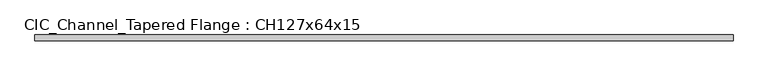
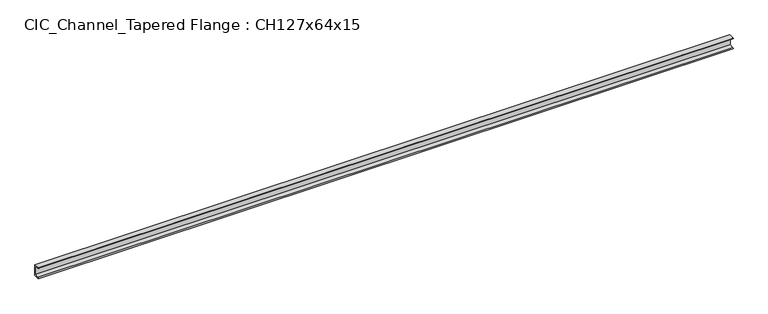
"""IFC4 building model written with IfcOpenShell, lengths in millimetres: beam geometry, CIC_Channel_Tapered Flange : CH127x64x15."""

from ifc_helpers import new_model, si_unit, point, frame, frame_2d, origin, place, context, project, spatial, polyline, circle_curve, trimmed, segment, composite_curve, outline, extrude, source, transform, mapped, element, save


def cic_channel_tapered_flange_ch127x64x15_07c7bc29(model_context):
    return source(origin(), model_context, "Body", "SweptSolid", [
        extrude(outline(composite_curve([segment(polyline([(19.4, 63.5), (19.4, -63.5), (-44.1, -63.5)]), True, "CONTINUOUS"), segment(trimmed(circle_curve(frame_2d((-34.9, -63.5)), 9.2), [point((-44.1, -63.5))], [point((-34.9, -54.3))], False, "CARTESIAN"), True, "CONTINUOUS"), segment(polyline([(-34.9, -54.3), (13.0, -46.7133853), (13.0, 46.7133853), (-34.9, 54.3)]), True, "CONTINUOUS"), segment(trimmed(circle_curve(frame_2d((-34.9, 63.5)), 9.2), [point((-34.9, 54.3))], [point((-44.1, 63.5))], False, "CARTESIAN"), True, "CONTINUOUS"), segment(polyline([(-44.1, 63.5), (19.4, 63.5)]), True, "CONTINUOUS")], self_intersect=False)), frame((-3864.65, 0.0, 0.0), z_axis=(1.0, 0.0, 0.0), x_axis=(0.0, 1.0, 0.0)), (0.0, 0.0, 1.0), 7729.3),
    ])


if __name__ == "__main__":
    model = new_model("IFC4")
    model_context = context("Model", 3, world=origin())
    ifc_project = project(units=[si_unit("LENGTHUNIT", "METRE", prefix="MILLI")], contexts=[model_context])
    site = spatial("IfcSite", under=ifc_project)
    building = spatial("IfcBuilding", under=site)
    placement = place(None, origin())
    cic_channel_tapered_flange_ch127x64x15_shape = cic_channel_tapered_flange_ch127x64x15_07c7bc29(model_context)
    element("IfcBeam", 1, ObjectType="CIC_Channel_Tapered Flange : CH127x64x15", at=placement, inside=building, context=model_context, shape_type="MappedRepresentation", body=[
        mapped(cic_channel_tapered_flange_ch127x64x15_shape, transform((0.0, 0.0, 0.0), x_axis=(1.0, 0.0, 0.0), y_axis=(0.0, 1.0, 0.0), z_axis=(0.0, 0.0, 1.0))),
    ])
    save(model, "model.ifc")
